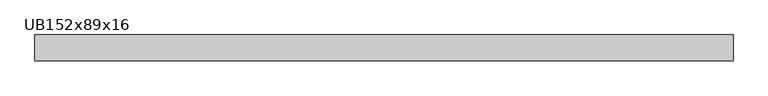
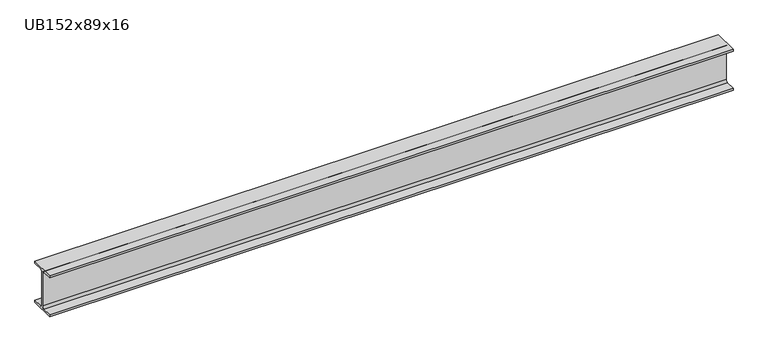
"""IFC4 building model written with IfcOpenShell, lengths in millimetres: beam geometry, UB152x89x16."""

from ifc_helpers import new_model, si_unit, point, frame, frame_2d, origin, place, context, project, spatial, polyline, circle_curve, trimmed, segment, composite_curve, outline, extrude, source, transform, mapped, element, save


def ub152x89x16_315a3140(model_context):
    return source(origin(), model_context, "Body", "SweptSolid", [
        extrude(outline(composite_curve([segment(polyline([(44.35, -68.5), (44.35, -76.2), (-44.35, -76.2), (-44.35, -68.5), (-9.85, -68.5)]), True, "CONTINUOUS"), segment(trimmed(circle_curve(frame_2d((-9.85, -60.9)), 7.6), [point((-9.85, -68.5))], [point((-2.25, -60.9))], True, "CARTESIAN"), True, "CONTINUOUS"), segment(polyline([(-2.25, -60.9), (-2.25, 60.9)]), True, "CONTINUOUS"), segment(trimmed(circle_curve(frame_2d((-9.85, 60.9)), 7.6), [point((-2.25, 60.9))], [point((-9.85, 68.5))], True, "CARTESIAN"), True, "CONTINUOUS"), segment(polyline([(-9.85, 68.5), (-44.35, 68.5), (-44.35, 76.2), (44.35, 76.2), (44.35, 68.5), (9.85, 68.5)]), True, "CONTINUOUS"), segment(trimmed(circle_curve(frame_2d((9.85, 60.9)), 7.6), [point((9.85, 68.5))], [point((2.25, 60.9))], True, "CARTESIAN"), True, "CONTINUOUS"), segment(polyline([(2.25, 60.9), (2.25, -60.9)]), True, "CONTINUOUS"), segment(trimmed(circle_curve(frame_2d((9.85, -60.9)), 7.6), [point((2.25, -60.9))], [point((9.85, -68.5))], True, "CARTESIAN"), True, "CONTINUOUS"), segment(polyline([(9.85, -68.5), (44.35, -68.5)]), True, "CONTINUOUS")], self_intersect=False)), frame((-1200.45, 0.0, 0.0), z_axis=(1.0, 0.0, 0.0), x_axis=(0.0, 1.0, 0.0)), (0.0, 0.0, 1.0), 2399.0),
    ])


if __name__ == "__main__":
    model = new_model("IFC4")
    model_context = context("Model", 3, world=origin())
    ifc_project = project(units=[si_unit("LENGTHUNIT", "METRE", prefix="MILLI")], contexts=[model_context])
    site = spatial("IfcSite", under=ifc_project)
    building = spatial("IfcBuilding", under=site)
    placement = place(None, origin())
    ub152x89x16_shape = ub152x89x16_315a3140(model_context)
    element("IfcBeam", 1, ObjectType="UB152x89x16", at=placement, inside=building, context=model_context, shape_type="MappedRepresentation", body=[
        mapped(ub152x89x16_shape, transform((0.0, 0.0, 0.0), x_axis=(1.0, 0.0, 0.0), y_axis=(0.0, 1.0, 0.0), z_axis=(0.0, 0.0, 1.0))),
    ])
    save(model, "model.ifc")
